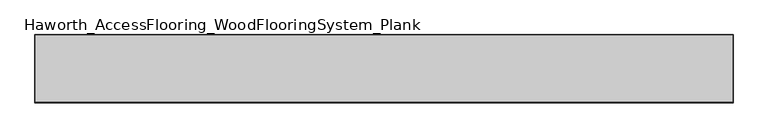
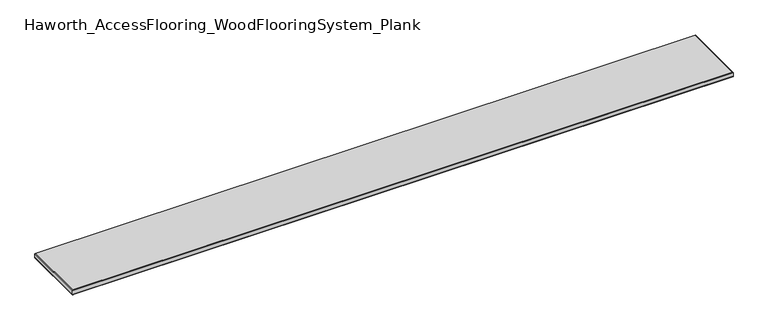
"""IFC4 building model written with IfcOpenShell, lengths in millimetres: proxy geometry, Haworth_AccessFlooring_WoodFlooringSystem_Plank."""

from ifc_helpers import new_model, si_unit, frame, origin, place, context, project, spatial, polyline, outline, extrude, faceted_brep, source, transform, mapped, element, save


def haworth_accessflooring_woodflooringsystem_plank_cce39f36(model_context):
    return source(origin(), model_context, "Body", "SolidModel", [
        extrude(outline(polyline([(1120.1542282, 109.9839844), (1120.1542282, -109.9839844), (-1120.1542282, -109.9839844), (-1120.1542282, 109.9839844), (1120.1542282, 109.9839844)])), frame((0.0, 0.0, -15.875), z_axis=(0.0, 0.0, 1.0), x_axis=(1.0, 0.0, 0.0)), (0.0, 0.0, 1.0), 0.9921875),
        faceted_brep([(1120.1542282, 109.9839844, -14.8828125), (1120.1542282, -109.9839844, -14.8828125), (-1120.1542282, -109.9839844, -14.8828125), (-1120.1542282, 109.9839844, -14.8828125), (-1120.1542282, 109.9839844, -1.5875), (1120.1542282, 109.9839844, -1.5875), (-1120.1542282, -109.9839844, -1.5875), (1120.1542282, -109.9839844, -1.5875), (1118.5667282, 108.3964844, 0.0), (-1118.5667282, 108.3964844, 0.0), (-1118.5667282, -108.3964844, 0.0), (1118.5667282, -108.3964844, 0.0)], [[[0, 1, 2, 3]], [[0, 3, 4, 5]], [[3, 2, 6, 4]], [[2, 1, 7, 6]], [[1, 0, 5, 7]], [[8, 9, 10, 11]], [[9, 8, 5, 4]], [[10, 9, 4, 6]], [[11, 10, 6, 7]], [[8, 11, 7, 5]]]),
    ])


if __name__ == "__main__":
    model = new_model("IFC4")
    model_context = context("Model", 3, world=origin())
    ifc_project = project(units=[si_unit("LENGTHUNIT", "METRE", prefix="MILLI")], contexts=[model_context])
    site = spatial("IfcSite", under=ifc_project)
    building = spatial("IfcBuilding", under=site)
    placement = place(None, origin())
    haworth_accessflooring_woodflooringsystem_plank_shape = haworth_accessflooring_woodflooringsystem_plank_cce39f36(model_context)
    element("IfcBuildingElementProxy", 1, Name="Haworth_AccessFlooring_WoodFlooringSystem_Plank", ObjectType="Haworth_AccessFlooring_WoodFlooringSystem_Plank", at=placement, inside=building, context=model_context, shape_type="MappedRepresentation", body=[
        mapped(haworth_accessflooring_woodflooringsystem_plank_shape, transform((0.0, 0.0, 0.0), x_axis=(1.0, 0.0, 0.0), y_axis=(0.0, 1.0, 0.0), z_axis=(0.0, 0.0, 1.0))),
    ])
    save(model, "model.ifc")
